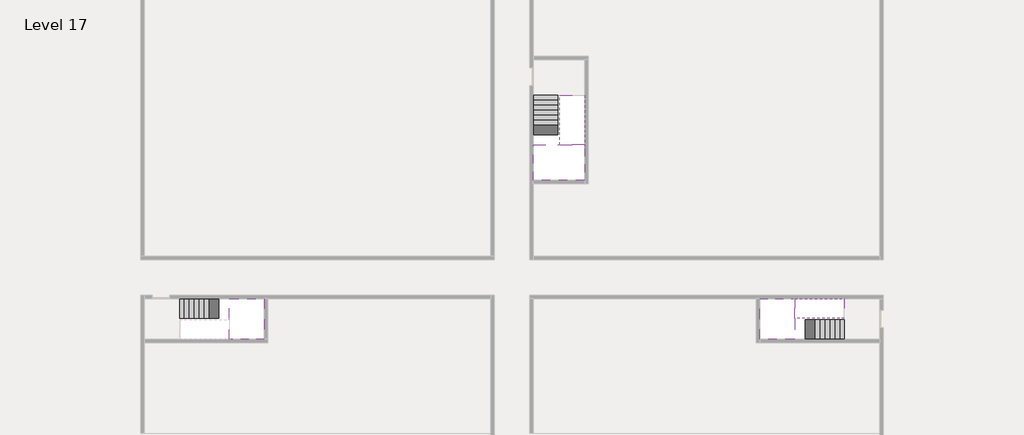
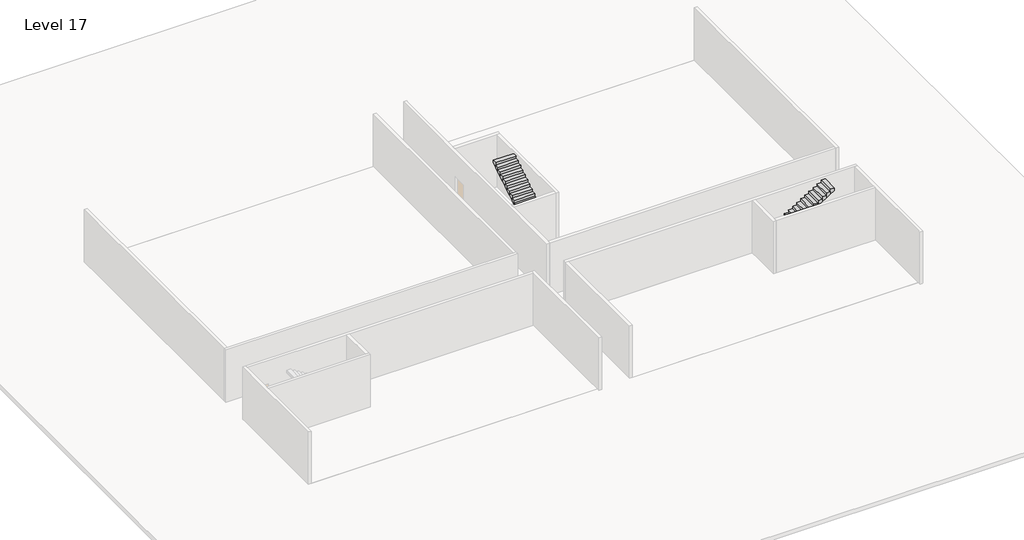
# One storey, part 2 of 2: 5 stair flights, 3 slabs.
"""IFC4 building model written with IfcOpenShell, lengths in millimetres."""

from ifc_helpers import new_model, si_unit, origin, place, context, project, spatial, faceted_brep, element, save

model = new_model("IFC4")

# Units and contexts
model_context = context("Model", 3, world=origin())
ifc_project = project(units=[si_unit("LENGTHUNIT", "METRE", prefix="MILLI")], contexts=[model_context])

# Site, building, storey
site = spatial("IfcSite", under=ifc_project)
building = spatial("IfcBuilding", under=site)
storey = spatial("IfcBuildingStorey", under=building, Name="Level 17", Elevation=60800.0)

# Slabs
placement = place(None, origin())
element("IfcSlab", 1, at=placement, inside=storey, context=model_context, shape_type="Brep", body=[
    faceted_brep([(8190.1058784, -42918.09644, 62700.0), (8190.1058784, -44018.09644, 62700.0), (8190.1058784, -44118.09644, 62700.0), (8190.1058784, -45218.09644, 62700.0), (8390.7194421, -45218.09644, 62700.0), (10190.1058784, -45218.09644, 62700.0), (10190.1058784, -42918.09644, 62700.0), (8269.4923146, -42918.09644, 62700.0), (8190.1058784, -42918.09644, 62527.2727273), (8190.1058784, -42918.09644, 62351.0278478), (8190.1058784, -44018.09644, 62351.0278478), (8190.1058784, -44018.09644, 62400.0), (8190.1058784, -44118.09644, 62400.0), (8190.1058784, -44118.09644, 62523.7551205), (8190.1058784, -45218.09644, 62523.7551205), (8390.7194421, -45218.09644, 62400.0), (10190.1058784, -45218.09644, 62400.0), (10190.1058784, -42918.09644, 62400.0), (8269.4923146, -42918.09644, 62400.0), (8390.7194421, -44118.09644, 62400.0), (8269.4923146, -44018.09644, 62400.0)], [[[0, 1, 2, 3, 4, 5, 6, 7]], [[1, 0, 8, 9, 10, 11]], [[2, 1, 11, 12, 13]], [[3, 2, 13, 14]], [[3, 14, 15, 16, 5, 4]], [[6, 5, 16, 17]], [[9, 8, 0, 7, 6, 17, 18]], [[19, 12, 11, 20, 18, 17, 16, 15]], [[12, 19, 13]], [[18, 20, 10, 9]], [[20, 11, 10]], [[19, 15, 14, 13]]]),
])
element("IfcSlab", 2, at=placement, inside=storey, context=model_context, shape_type="Brep", body=[
    faceted_brep([(40190.1058784, -45218.09644, 62700.0), (40190.1058784, -44118.09644, 62700.0), (40190.1058784, -44018.09644, 62700.0), (40190.1058784, -42918.09644, 62700.0), (39989.4923146, -42918.09644, 62700.0), (38190.1058784, -42918.09644, 62700.0), (38190.1058784, -45218.09644, 62700.0), (40110.7194421, -45218.09644, 62700.0), (40190.1058784, -45218.09644, 62527.2727273), (40190.1058784, -45218.09644, 62351.0278478), (40190.1058784, -44118.09644, 62351.0278478), (40190.1058784, -44118.09644, 62400.0), (40190.1058784, -44018.09644, 62400.0), (40190.1058784, -44018.09644, 62523.7551205), (40190.1058784, -42918.09644, 62523.7551205), (39989.4923146, -42918.09644, 62400.0), (38190.1058784, -42918.09644, 62400.0), (38190.1058784, -45218.09644, 62400.0), (40110.7194421, -45218.09644, 62400.0), (39989.4923146, -44018.09644, 62400.0), (40110.7194421, -44118.09644, 62400.0)], [[[0, 1, 2, 3, 4, 5, 6, 7]], [[1, 0, 8, 9, 10, 11]], [[2, 1, 11, 12, 13]], [[3, 2, 13, 14]], [[3, 14, 15, 16, 5, 4]], [[6, 5, 16, 17]], [[9, 8, 0, 7, 6, 17, 18]], [[19, 12, 11, 20, 18, 17, 16, 15]], [[12, 19, 13]], [[18, 20, 10, 9]], [[20, 11, 10]], [[19, 15, 14, 13]]]),
])
element("IfcSlab", 3, at=placement, inside=storey, context=model_context, shape_type="Brep", body=[
    faceted_brep([(26790.1058784, -34218.09644, 62700.0), (25390.1058784, -34218.09644, 62700.0), (25390.1058784, -34297.4828763, 62700.0), (25390.1058784, -36218.09644, 62700.0), (28290.1058784, -36218.09644, 62700.0), (28290.1058784, -34418.7100038, 62700.0), (28290.1058784, -34218.09644, 62700.0), (26890.1058784, -34218.09644, 62700.0), (26790.1058784, -34218.09644, 62400.0), (26790.1058784, -34218.09644, 62351.0278478), (25390.1058784, -34218.09644, 62351.0278478), (25390.1058784, -34218.09644, 62527.2727273), (25390.1058784, -34297.4828763, 62400.0), (25390.1058784, -36218.09644, 62400.0), (28290.1058784, -36218.09644, 62400.0), (28290.1058784, -34418.7100038, 62400.0), (28290.1058784, -34218.09644, 62523.7551205), (26890.1058784, -34218.09644, 62523.7551205), (26890.1058784, -34218.09644, 62400.0), (26890.1058784, -34418.7100038, 62400.0), (26790.1058784, -34297.4828763, 62400.0)], [[[0, 1, 2, 3, 4, 5, 6, 7]], [[1, 0, 8, 9, 10, 11]], [[1, 11, 10, 12, 13, 3, 2]], [[4, 3, 13, 14]], [[4, 14, 15, 16, 6, 5]], [[7, 6, 16, 17]], [[0, 7, 17, 18, 8]], [[18, 19, 15, 14, 13, 12, 20, 8]], [[19, 18, 17]], [[20, 12, 10, 9]], [[8, 20, 9]], [[15, 19, 17, 16]]]),
])

# Stair flights
element("IfcStairFlight", 4, at=placement, inside=storey, context=model_context, shape_type="Brep", body=[
    faceted_brep([(5670.1058784, -42918.09644, 60972.7272727), (5390.1058784, -42918.09644, 60972.7272727), (5390.1058784, -44018.09644, 60972.7272727), (5670.1058784, -44018.09644, 60972.7272727), (5670.1058784, -42918.09644, 60800.0), (5390.1058784, -42918.09644, 60800.0), (5390.1058784, -44018.09644, 60800.0), (5670.1058784, -44018.09644, 60800.0), (5950.1058784, -42918.09644, 61145.4545455), (5670.1058784, -42918.09644, 61145.4545455), (5670.1058784, -44018.09644, 61145.4545455), (5950.1058784, -44018.09644, 61145.4545455), (5950.1058784, -42918.09644, 60969.209666), (5675.8081041, -42918.09644, 60800.0), (5675.8081041, -44018.09644, 60800.0), (5950.1058784, -44018.09644, 60969.209666), (6230.1058784, -42918.09644, 61318.1818182), (5950.1058784, -42918.09644, 61318.1818182), (5950.1058784, -44018.09644, 61318.1818182), (6230.1058784, -44018.09644, 61318.1818182), (6230.1058784, -42918.09644, 61141.9369387), (6230.1058784, -44018.09644, 61141.9369387), (6510.1058784, -42918.09644, 61490.9090909), (6230.1058784, -42918.09644, 61490.9090909), (6230.1058784, -44018.09644, 61490.9090909), (6510.1058784, -44018.09644, 61490.9090909), (6510.1058784, -42918.09644, 61314.6642114), (6510.1058784, -44018.09644, 61314.6642114), (6790.1058784, -42918.09644, 61663.6363636), (6510.1058784, -42918.09644, 61663.6363636), (6510.1058784, -44018.09644, 61663.6363636), (6790.1058784, -44018.09644, 61663.6363636), (6790.1058784, -42918.09644, 61487.3914841), (6790.1058784, -44018.09644, 61487.3914841), (7070.1058784, -42918.09644, 61836.3636364), (6790.1058784, -42918.09644, 61836.3636364), (6790.1058784, -44018.09644, 61836.3636364), (7070.1058784, -44018.09644, 61836.3636364), (7070.1058784, -42918.09644, 61660.1187569), (7070.1058784, -44018.09644, 61660.1187569), (7350.1058784, -42918.09644, 62009.0909091), (7070.1058784, -42918.09644, 62009.0909091), (7070.1058784, -44018.09644, 62009.0909091), (7350.1058784, -44018.09644, 62009.0909091), (7350.1058784, -42918.09644, 61832.8460296), (7350.1058784, -44018.09644, 61832.8460296), (7630.1058784, -42918.09644, 62181.8181818), (7350.1058784, -42918.09644, 62181.8181818), (7350.1058784, -44018.09644, 62181.8181818), (7630.1058784, -44018.09644, 62181.8181818), (7630.1058784, -42918.09644, 62005.5733023), (7630.1058784, -44018.09644, 62005.5733023), (7910.1058784, -42918.09644, 62354.5454545), (7630.1058784, -42918.09644, 62354.5454545), (7630.1058784, -44018.09644, 62354.5454545), (7910.1058784, -44018.09644, 62354.5454545), (7910.1058784, -42918.09644, 62178.3005751), (7910.1058784, -44018.09644, 62178.3005751), (8190.1058784, -42918.09644, 62527.2727273), (7910.1058784, -42918.09644, 62527.2727273), (7910.1058784, -44018.09644, 62527.2727273), (8190.1058784, -44018.09644, 62527.2727273), (8190.1058784, -42918.09644, 62351.0278478), (8190.1058784, -44018.09644, 62351.0278478), (8190.1058784, -44018.09644, 62400.0)], [[[0, 1, 2, 3]], [[1, 0, 4, 5]], [[2, 1, 5, 6]], [[3, 2, 6, 7]], [[8, 9, 10, 11]], [[4, 0, 9, 8, 12, 13]], [[0, 3, 10, 9]], [[3, 7, 14, 15, 11, 10]], [[16, 17, 18, 19]], [[17, 16, 20, 12, 8]], [[8, 11, 18, 17]], [[19, 18, 11, 15, 21]], [[22, 23, 24, 25]], [[23, 22, 26, 20, 16]], [[16, 19, 24, 23]], [[25, 24, 19, 21, 27]], [[28, 29, 30, 31]], [[29, 28, 32, 26, 22]], [[22, 25, 30, 29]], [[31, 30, 25, 27, 33]], [[34, 35, 36, 37]], [[35, 34, 38, 32, 28]], [[28, 31, 36, 35]], [[37, 36, 31, 33, 39]], [[40, 41, 42, 43]], [[41, 40, 44, 38, 34]], [[34, 37, 42, 41]], [[43, 42, 37, 39, 45]], [[46, 47, 48, 49]], [[47, 46, 50, 44, 40]], [[40, 43, 48, 47]], [[49, 48, 43, 45, 51]], [[52, 53, 54, 55]], [[53, 52, 56, 50, 46]], [[46, 49, 54, 53]], [[55, 54, 49, 51, 57]], [[58, 59, 60, 61]], [[59, 58, 62, 56, 52]], [[52, 55, 60, 59]], [[61, 60, 55, 57, 63, 64]], [[58, 61, 64, 63, 62]], [[5, 4, 13, 14, 7, 6]], [[14, 13, 12, 20, 26, 32, 38, 44, 50, 56, 62, 63, 57, 51, 45, 39, 33, 27, 21, 15]]]),
])
element("IfcStairFlight", 5, at=placement, inside=storey, context=model_context, shape_type="Brep", body=[
    faceted_brep([(42710.1058784, -45218.09644, 60972.7272727), (42990.1058784, -45218.09644, 60972.7272727), (42990.1058784, -44118.09644, 60972.7272727), (42710.1058784, -44118.09644, 60972.7272727), (42710.1058784, -45218.09644, 60800.0), (42990.1058784, -45218.09644, 60800.0), (42990.1058784, -44118.09644, 60800.0), (42710.1058784, -44118.09644, 60800.0), (42430.1058784, -45218.09644, 61145.4545455), (42710.1058784, -45218.09644, 61145.4545455), (42710.1058784, -44118.09644, 61145.4545455), (42430.1058784, -44118.09644, 61145.4545455), (42430.1058784, -45218.09644, 60969.209666), (42704.4036527, -45218.09644, 60800.0), (42704.4036527, -44118.09644, 60800.0), (42430.1058784, -44118.09644, 60969.209666), (42150.1058784, -45218.09644, 61318.1818182), (42430.1058784, -45218.09644, 61318.1818182), (42430.1058784, -44118.09644, 61318.1818182), (42150.1058784, -44118.09644, 61318.1818182), (42150.1058784, -45218.09644, 61141.9369387), (42150.1058784, -44118.09644, 61141.9369387), (41870.1058784, -45218.09644, 61490.9090909), (42150.1058784, -45218.09644, 61490.9090909), (42150.1058784, -44118.09644, 61490.9090909), (41870.1058784, -44118.09644, 61490.9090909), (41870.1058784, -45218.09644, 61314.6642114), (41870.1058784, -44118.09644, 61314.6642114), (41590.1058784, -45218.09644, 61663.6363636), (41870.1058784, -45218.09644, 61663.6363636), (41870.1058784, -44118.09644, 61663.6363636), (41590.1058784, -44118.09644, 61663.6363636), (41590.1058784, -45218.09644, 61487.3914841), (41590.1058784, -44118.09644, 61487.3914841), (41310.1058784, -45218.09644, 61836.3636364), (41590.1058784, -45218.09644, 61836.3636364), (41590.1058784, -44118.09644, 61836.3636364), (41310.1058784, -44118.09644, 61836.3636364), (41310.1058784, -45218.09644, 61660.1187569), (41310.1058784, -44118.09644, 61660.1187569), (41030.1058784, -45218.09644, 62009.0909091), (41310.1058784, -45218.09644, 62009.0909091), (41310.1058784, -44118.09644, 62009.0909091), (41030.1058784, -44118.09644, 62009.0909091), (41030.1058784, -45218.09644, 61832.8460296), (41030.1058784, -44118.09644, 61832.8460296), (40750.1058784, -45218.09644, 62181.8181818), (41030.1058784, -45218.09644, 62181.8181818), (41030.1058784, -44118.09644, 62181.8181818), (40750.1058784, -44118.09644, 62181.8181818), (40750.1058784, -45218.09644, 62005.5733023), (40750.1058784, -44118.09644, 62005.5733023), (40470.1058784, -45218.09644, 62354.5454545), (40750.1058784, -45218.09644, 62354.5454545), (40750.1058784, -44118.09644, 62354.5454545), (40470.1058784, -44118.09644, 62354.5454545), (40470.1058784, -45218.09644, 62178.3005751), (40470.1058784, -44118.09644, 62178.3005751), (40190.1058784, -45218.09644, 62527.2727273), (40470.1058784, -45218.09644, 62527.2727273), (40470.1058784, -44118.09644, 62527.2727273), (40190.1058784, -44118.09644, 62527.2727273), (40190.1058784, -45218.09644, 62351.0278478), (40190.1058784, -44118.09644, 62351.0278478), (40190.1058784, -44118.09644, 62400.0)], [[[0, 1, 2, 3]], [[1, 0, 4, 5]], [[2, 1, 5, 6]], [[3, 2, 6, 7]], [[8, 9, 10, 11]], [[4, 0, 9, 8, 12, 13]], [[0, 3, 10, 9]], [[3, 7, 14, 15, 11, 10]], [[16, 17, 18, 19]], [[17, 16, 20, 12, 8]], [[8, 11, 18, 17]], [[19, 18, 11, 15, 21]], [[22, 23, 24, 25]], [[23, 22, 26, 20, 16]], [[16, 19, 24, 23]], [[25, 24, 19, 21, 27]], [[28, 29, 30, 31]], [[29, 28, 32, 26, 22]], [[22, 25, 30, 29]], [[31, 30, 25, 27, 33]], [[34, 35, 36, 37]], [[35, 34, 38, 32, 28]], [[28, 31, 36, 35]], [[37, 36, 31, 33, 39]], [[40, 41, 42, 43]], [[41, 40, 44, 38, 34]], [[34, 37, 42, 41]], [[43, 42, 37, 39, 45]], [[46, 47, 48, 49]], [[47, 46, 50, 44, 40]], [[40, 43, 48, 47]], [[49, 48, 43, 45, 51]], [[52, 53, 54, 55]], [[53, 52, 56, 50, 46]], [[46, 49, 54, 53]], [[55, 54, 49, 51, 57]], [[58, 59, 60, 61]], [[59, 58, 62, 56, 52]], [[52, 55, 60, 59]], [[61, 60, 55, 57, 63, 64]], [[58, 61, 64, 63, 62]], [[5, 4, 13, 14, 7, 6]], [[14, 13, 12, 20, 26, 32, 38, 44, 50, 56, 62, 63, 57, 51, 45, 39, 33, 27, 21, 15]]]),
])
element("IfcStairFlight", 6, at=placement, inside=storey, context=model_context, shape_type="Brep", body=[
    faceted_brep([(40470.1058784, -42918.09644, 62872.7272727), (40190.1058784, -42918.09644, 62872.7272727), (40190.1058784, -44018.09644, 62872.7272727), (40470.1058784, -44018.09644, 62872.7272727), (40470.1058784, -42918.09644, 62696.4823932), (40190.1058784, -42918.09644, 62523.7551205), (40190.1058784, -42918.09644, 62700.0), (40190.1058784, -44018.09644, 62523.7551205), (40470.1058784, -44018.09644, 62696.4823932), (40750.1058784, -42918.09644, 63045.4545455), (40470.1058784, -42918.09644, 63045.4545455), (40470.1058784, -44018.09644, 63045.4545455), (40750.1058784, -44018.09644, 63045.4545455), (40750.1058784, -42918.09644, 62869.209666), (40750.1058784, -44018.09644, 62869.209666), (41030.1058784, -42918.09644, 63218.1818182), (40750.1058784, -42918.09644, 63218.1818182), (40750.1058784, -44018.09644, 63218.1818182), (41030.1058784, -44018.09644, 63218.1818182), (41030.1058784, -42918.09644, 63041.9369387), (41030.1058784, -44018.09644, 63041.9369387), (41310.1058784, -42918.09644, 63390.9090909), (41030.1058784, -42918.09644, 63390.9090909), (41030.1058784, -44018.09644, 63390.9090909), (41310.1058784, -44018.09644, 63390.9090909), (41310.1058784, -42918.09644, 63214.6642114), (41310.1058784, -44018.09644, 63214.6642114), (41590.1058784, -42918.09644, 63563.6363636), (41310.1058784, -42918.09644, 63563.6363636), (41310.1058784, -44018.09644, 63563.6363636), (41590.1058784, -44018.09644, 63563.6363636), (41590.1058784, -42918.09644, 63387.3914841), (41590.1058784, -44018.09644, 63387.3914841), (41870.1058784, -42918.09644, 63736.3636364), (41590.1058784, -42918.09644, 63736.3636364), (41590.1058784, -44018.09644, 63736.3636364), (41870.1058784, -44018.09644, 63736.3636364), (41870.1058784, -42918.09644, 63560.1187569), (41870.1058784, -44018.09644, 63560.1187569), (42150.1058784, -42918.09644, 63909.0909091), (41870.1058784, -42918.09644, 63909.0909091), (41870.1058784, -44018.09644, 63909.0909091), (42150.1058784, -44018.09644, 63909.0909091), (42150.1058784, -42918.09644, 63732.8460296), (42150.1058784, -44018.09644, 63732.8460296), (42430.1058784, -42918.09644, 64081.8181818), (42150.1058784, -42918.09644, 64081.8181818), (42150.1058784, -44018.09644, 64081.8181818), (42430.1058784, -44018.09644, 64081.8181818), (42430.1058784, -42918.09644, 63905.5733023), (42430.1058784, -44018.09644, 63905.5733023), (42710.1058784, -42918.09644, 64254.5454545), (42430.1058784, -42918.09644, 64254.5454545), (42430.1058784, -44018.09644, 64254.5454545), (42710.1058784, -44018.09644, 64254.5454545), (42710.1058784, -42918.09644, 64078.3005751), (42710.1058784, -44018.09644, 64078.3005751), (42990.1058784, -42918.09644, 64427.2727273), (42710.1058784, -42918.09644, 64427.2727273), (42710.1058784, -44018.09644, 64427.2727273), (42990.1058784, -44018.09644, 64427.2727273), (42990.1058784, -42918.09644, 64251.0278478), (42990.1058784, -44018.09644, 64251.0278478)], [[[0, 1, 2, 3]], [[1, 0, 4, 5, 6]], [[2, 1, 6, 5, 7]], [[3, 2, 7, 8]], [[9, 10, 11, 12]], [[10, 9, 13, 4, 0]], [[11, 10, 0, 3]], [[12, 11, 3, 8, 14]], [[15, 16, 17, 18]], [[16, 15, 19, 13, 9]], [[17, 16, 9, 12]], [[18, 17, 12, 14, 20]], [[21, 22, 23, 24]], [[22, 21, 25, 19, 15]], [[23, 22, 15, 18]], [[24, 23, 18, 20, 26]], [[27, 28, 29, 30]], [[28, 27, 31, 25, 21]], [[29, 28, 21, 24]], [[30, 29, 24, 26, 32]], [[33, 34, 35, 36]], [[34, 33, 37, 31, 27]], [[35, 34, 27, 30]], [[36, 35, 30, 32, 38]], [[39, 40, 41, 42]], [[40, 39, 43, 37, 33]], [[41, 40, 33, 36]], [[42, 41, 36, 38, 44]], [[45, 46, 47, 48]], [[46, 45, 49, 43, 39]], [[47, 46, 39, 42]], [[48, 47, 42, 44, 50]], [[51, 52, 53, 54]], [[52, 51, 55, 49, 45]], [[53, 52, 45, 48]], [[54, 53, 48, 50, 56]], [[57, 58, 59, 60]], [[58, 57, 61, 55, 51]], [[59, 58, 51, 54]], [[60, 59, 54, 56, 62]], [[57, 60, 62, 61]], [[5, 4, 13, 19, 25, 31, 37, 43, 49, 55, 61, 62, 56, 50, 44, 38, 32, 26, 20, 14, 8, 7]]]),
])
element("IfcStairFlight", 7, at=placement, inside=storey, context=model_context, shape_type="Brep", body=[
    faceted_brep([(26790.1058784, -31698.09644, 60972.7272727), (26790.1058784, -31418.09644, 60972.7272727), (25390.1058784, -31418.09644, 60972.7272727), (25390.1058784, -31698.09644, 60972.7272727), (26790.1058784, -31698.09644, 60800.0), (26790.1058784, -31418.09644, 60800.0), (25390.1058784, -31418.09644, 60800.0), (25390.1058784, -31698.09644, 60800.0), (26790.1058784, -31978.09644, 61145.4545455), (26790.1058784, -31698.09644, 61145.4545455), (25390.1058784, -31698.09644, 61145.4545455), (25390.1058784, -31978.09644, 61145.4545455), (26790.1058784, -31978.09644, 60969.209666), (26790.1058784, -31703.7986657, 60800.0), (25390.1058784, -31703.7986657, 60800.0), (25390.1058784, -31978.09644, 60969.209666), (26790.1058784, -32258.09644, 61318.1818182), (26790.1058784, -31978.09644, 61318.1818182), (25390.1058784, -31978.09644, 61318.1818182), (25390.1058784, -32258.09644, 61318.1818182), (26790.1058784, -32258.09644, 61141.9369387), (25390.1058784, -32258.09644, 61141.9369387), (26790.1058784, -32538.09644, 61490.9090909), (26790.1058784, -32258.09644, 61490.9090909), (25390.1058784, -32258.09644, 61490.9090909), (25390.1058784, -32538.09644, 61490.9090909), (26790.1058784, -32538.09644, 61314.6642114), (25390.1058784, -32538.09644, 61314.6642114), (26790.1058784, -32818.09644, 61663.6363636), (26790.1058784, -32538.09644, 61663.6363636), (25390.1058784, -32538.09644, 61663.6363636), (25390.1058784, -32818.09644, 61663.6363636), (26790.1058784, -32818.09644, 61487.3914841), (25390.1058784, -32818.09644, 61487.3914841), (26790.1058784, -33098.09644, 61836.3636364), (26790.1058784, -32818.09644, 61836.3636364), (25390.1058784, -32818.09644, 61836.3636364), (25390.1058784, -33098.09644, 61836.3636364), (26790.1058784, -33098.09644, 61660.1187569), (25390.1058784, -33098.09644, 61660.1187569), (26790.1058784, -33378.09644, 62009.0909091), (26790.1058784, -33098.09644, 62009.0909091), (25390.1058784, -33098.09644, 62009.0909091), (25390.1058784, -33378.09644, 62009.0909091), (26790.1058784, -33378.09644, 61832.8460296), (25390.1058784, -33378.09644, 61832.8460296), (26790.1058784, -33658.09644, 62181.8181818), (26790.1058784, -33378.09644, 62181.8181818), (25390.1058784, -33378.09644, 62181.8181818), (25390.1058784, -33658.09644, 62181.8181818), (26790.1058784, -33658.09644, 62005.5733023), (25390.1058784, -33658.09644, 62005.5733023), (26790.1058784, -33938.09644, 62354.5454545), (26790.1058784, -33658.09644, 62354.5454545), (25390.1058784, -33658.09644, 62354.5454545), (25390.1058784, -33938.09644, 62354.5454545), (26790.1058784, -33938.09644, 62178.3005751), (25390.1058784, -33938.09644, 62178.3005751), (26790.1058784, -34218.09644, 62527.2727273), (26790.1058784, -33938.09644, 62527.2727273), (25390.1058784, -33938.09644, 62527.2727273), (25390.1058784, -34218.09644, 62527.2727273), (26790.1058784, -34218.09644, 62400.0), (26790.1058784, -34218.09644, 62351.0278478), (25390.1058784, -34218.09644, 62351.0278478)], [[[0, 1, 2, 3]], [[1, 0, 4, 5]], [[2, 1, 5, 6]], [[3, 2, 6, 7]], [[8, 9, 10, 11]], [[4, 0, 9, 8, 12, 13]], [[0, 3, 10, 9]], [[3, 7, 14, 15, 11, 10]], [[16, 17, 18, 19]], [[17, 16, 20, 12, 8]], [[8, 11, 18, 17]], [[19, 18, 11, 15, 21]], [[22, 23, 24, 25]], [[23, 22, 26, 20, 16]], [[16, 19, 24, 23]], [[25, 24, 19, 21, 27]], [[28, 29, 30, 31]], [[29, 28, 32, 26, 22]], [[22, 25, 30, 29]], [[31, 30, 25, 27, 33]], [[34, 35, 36, 37]], [[35, 34, 38, 32, 28]], [[28, 31, 36, 35]], [[37, 36, 31, 33, 39]], [[40, 41, 42, 43]], [[41, 40, 44, 38, 34]], [[34, 37, 42, 41]], [[43, 42, 37, 39, 45]], [[46, 47, 48, 49]], [[47, 46, 50, 44, 40]], [[40, 43, 48, 47]], [[49, 48, 43, 45, 51]], [[52, 53, 54, 55]], [[53, 52, 56, 50, 46]], [[46, 49, 54, 53]], [[55, 54, 49, 51, 57]], [[58, 59, 60, 61]], [[59, 58, 62, 63, 56, 52]], [[52, 55, 60, 59]], [[61, 60, 55, 57, 64]], [[58, 61, 64, 63, 62]], [[5, 4, 13, 14, 7, 6]], [[14, 13, 12, 20, 26, 32, 38, 44, 50, 56, 63, 64, 57, 51, 45, 39, 33, 27, 21, 15]]]),
])
element("IfcStairFlight", 8, at=placement, inside=storey, context=model_context, shape_type="Brep", body=[
    faceted_brep([(26890.1058784, -33938.09644, 62872.7272727), (26890.1058784, -34218.09644, 62872.7272727), (28290.1058784, -34218.09644, 62872.7272727), (28290.1058784, -33938.09644, 62872.7272727), (26890.1058784, -33938.09644, 62696.4823932), (26890.1058784, -34218.09644, 62523.7551205), (28290.1058784, -34218.09644, 62523.7551205), (28290.1058784, -34218.09644, 62700.0), (28290.1058784, -33938.09644, 62696.4823932), (26890.1058784, -33658.09644, 63045.4545455), (26890.1058784, -33938.09644, 63045.4545455), (28290.1058784, -33938.09644, 63045.4545455), (28290.1058784, -33658.09644, 63045.4545455), (26890.1058784, -33658.09644, 62869.209666), (28290.1058784, -33658.09644, 62869.209666), (26890.1058784, -33378.09644, 63218.1818182), (26890.1058784, -33658.09644, 63218.1818182), (28290.1058784, -33658.09644, 63218.1818182), (28290.1058784, -33378.09644, 63218.1818182), (26890.1058784, -33378.09644, 63041.9369387), (28290.1058784, -33378.09644, 63041.9369387), (26890.1058784, -33098.09644, 63390.9090909), (26890.1058784, -33378.09644, 63390.9090909), (28290.1058784, -33378.09644, 63390.9090909), (28290.1058784, -33098.09644, 63390.9090909), (26890.1058784, -33098.09644, 63214.6642114), (28290.1058784, -33098.09644, 63214.6642114), (26890.1058784, -32818.09644, 63563.6363636), (26890.1058784, -33098.09644, 63563.6363636), (28290.1058784, -33098.09644, 63563.6363636), (28290.1058784, -32818.09644, 63563.6363636), (26890.1058784, -32818.09644, 63387.3914841), (28290.1058784, -32818.09644, 63387.3914841), (26890.1058784, -32538.09644, 63736.3636364), (26890.1058784, -32818.09644, 63736.3636364), (28290.1058784, -32818.09644, 63736.3636364), (28290.1058784, -32538.09644, 63736.3636364), (26890.1058784, -32538.09644, 63560.1187569), (28290.1058784, -32538.09644, 63560.1187569), (26890.1058784, -32258.09644, 63909.0909091), (26890.1058784, -32538.09644, 63909.0909091), (28290.1058784, -32538.09644, 63909.0909091), (28290.1058784, -32258.09644, 63909.0909091), (26890.1058784, -32258.09644, 63732.8460296), (28290.1058784, -32258.09644, 63732.8460296), (26890.1058784, -31978.09644, 64081.8181818), (26890.1058784, -32258.09644, 64081.8181818), (28290.1058784, -32258.09644, 64081.8181818), (28290.1058784, -31978.09644, 64081.8181818), (26890.1058784, -31978.09644, 63905.5733023), (28290.1058784, -31978.09644, 63905.5733023), (26890.1058784, -31698.09644, 64254.5454545), (26890.1058784, -31978.09644, 64254.5454545), (28290.1058784, -31978.09644, 64254.5454545), (28290.1058784, -31698.09644, 64254.5454545), (26890.1058784, -31698.09644, 64078.3005751), (28290.1058784, -31698.09644, 64078.3005751), (26890.1058784, -31418.09644, 64427.2727273), (26890.1058784, -31698.09644, 64427.2727273), (28290.1058784, -31698.09644, 64427.2727273), (28290.1058784, -31418.09644, 64427.2727273), (26890.1058784, -31418.09644, 64251.0278478), (28290.1058784, -31418.09644, 64251.0278478)], [[[0, 1, 2, 3]], [[1, 0, 4, 5]], [[2, 1, 5, 6, 7]], [[3, 2, 7, 6, 8]], [[9, 10, 11, 12]], [[10, 9, 13, 4, 0]], [[11, 10, 0, 3]], [[12, 11, 3, 8, 14]], [[15, 16, 17, 18]], [[16, 15, 19, 13, 9]], [[17, 16, 9, 12]], [[18, 17, 12, 14, 20]], [[21, 22, 23, 24]], [[22, 21, 25, 19, 15]], [[23, 22, 15, 18]], [[24, 23, 18, 20, 26]], [[27, 28, 29, 30]], [[28, 27, 31, 25, 21]], [[29, 28, 21, 24]], [[30, 29, 24, 26, 32]], [[33, 34, 35, 36]], [[34, 33, 37, 31, 27]], [[35, 34, 27, 30]], [[36, 35, 30, 32, 38]], [[39, 40, 41, 42]], [[40, 39, 43, 37, 33]], [[41, 40, 33, 36]], [[42, 41, 36, 38, 44]], [[45, 46, 47, 48]], [[46, 45, 49, 43, 39]], [[47, 46, 39, 42]], [[48, 47, 42, 44, 50]], [[51, 52, 53, 54]], [[52, 51, 55, 49, 45]], [[53, 52, 45, 48]], [[54, 53, 48, 50, 56]], [[57, 58, 59, 60]], [[58, 57, 61, 55, 51]], [[59, 58, 51, 54]], [[60, 59, 54, 56, 62]], [[57, 60, 62, 61]], [[5, 4, 13, 19, 25, 31, 37, 43, 49, 55, 61, 62, 56, 50, 44, 38, 32, 26, 20, 14, 8, 6]]]),
])

save(model, "model.ifc")
